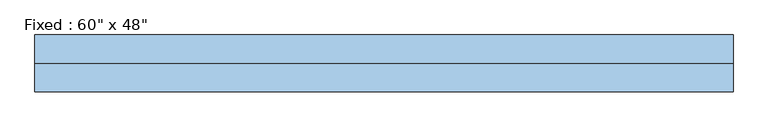
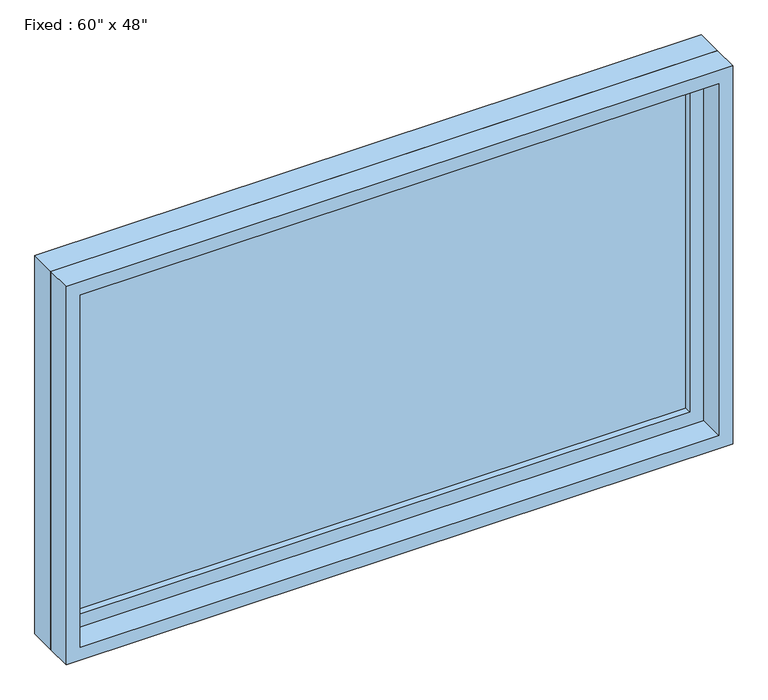
"""IFC4 building model written with IfcOpenShell, lengths in millimetres: window geometry."""

from ifc_helpers import new_model, si_unit, frame, origin, place, context, project, spatial, polyline, outline, extrude, source, transform, mapped, element, save


def window_8c030486(model_context):
    return source(origin(), model_context, "Body", "SweptSolid", [
        extrude(outline(polyline([(660.4, 14.2875), (-736.6, 14.2875), (-736.6, 26.9875), (660.4, 26.9875), (660.4, 14.2875)])), frame((0.0, 0.0, 1130.3), z_axis=(0.0, 0.0, 1.0), x_axis=(1.0, 0.0, 0.0)), (0.0, 0.0, 1.0), 787.4),
        extrude(outline(polyline([(1962.15, -781.05), (1085.85, -781.05), (1085.85, 704.85), (1962.15, 704.85), (1962.15, -781.05)]), holes=[polyline([(1917.7, -736.6), (1917.7, 660.4), (1130.3, 660.4), (1130.3, -736.6), (1917.7, -736.6)])]), frame((0.0, -1.5875, 0.0), z_axis=(0.0, 1.0, 0.0), x_axis=(0.0, 0.0, 1.0)), (0.0, 0.0, 1.0), 44.45),
        extrude(outline(polyline([(1981.2, -800.1), (1066.8, -800.1), (1066.8, 723.9), (1981.2, 723.9), (1981.2, -800.1)]), holes=[polyline([(1949.45, -768.35), (1949.45, 692.15), (1098.55, 692.15), (1098.55, -768.35), (1949.45, -768.35)])]), frame((0.0, -61.9125, 0.0), z_axis=(0.0, 1.0, 0.0), x_axis=(0.0, 0.0, 1.0)), (0.0, 0.0, 1.0), 60.325),
        extrude(outline(polyline([(1981.2, 723.9), (1981.2, -800.1), (1066.8, -800.1), (1066.8, 723.9), (1981.2, 723.9)]), holes=[polyline([(1962.15, 704.85), (1085.85, 704.85), (1085.85, -781.05), (1962.15, -781.05), (1962.15, 704.85)])]), frame((0.0, -1.5875, 0.0), z_axis=(0.0, 1.0, 0.0), x_axis=(0.0, 0.0, 1.0)), (0.0, 0.0, 1.0), 63.5),
    ])


if __name__ == "__main__":
    model = new_model("IFC4")
    model_context = context("Model", 3, world=origin())
    ifc_project = project(units=[si_unit("LENGTHUNIT", "METRE", prefix="MILLI")], contexts=[model_context])
    site = spatial("IfcSite", under=ifc_project)
    building = spatial("IfcBuilding", under=site)
    placement = place(None, origin())
    window_shape = window_8c030486(model_context)
    element("IfcWindow", 1, ObjectType="Fixed : 60\" x 48\"", at=placement, inside=building, context=model_context, shape_type="MappedRepresentation", body=[
        mapped(window_shape, transform((0.0, 0.0, 0.0), x_axis=(1.0, 0.0, 0.0), y_axis=(0.0, 1.0, 0.0), z_axis=(0.0, 0.0, 1.0))),
    ])
    save(model, "model.ifc")
